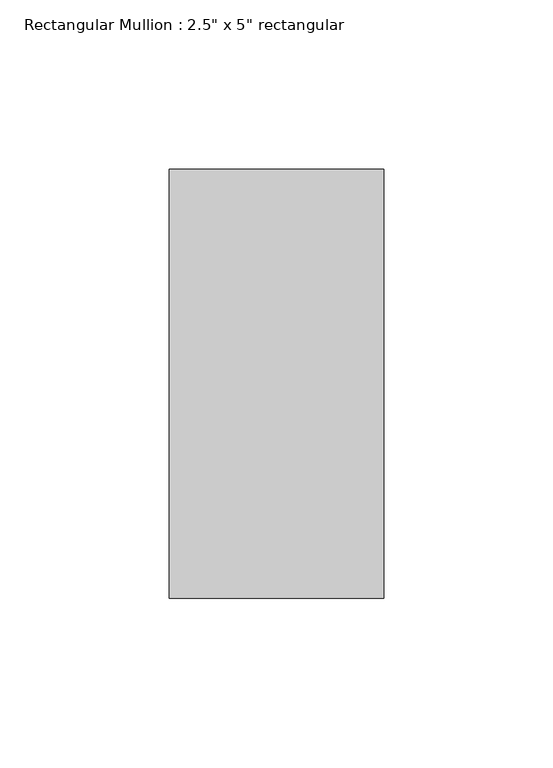
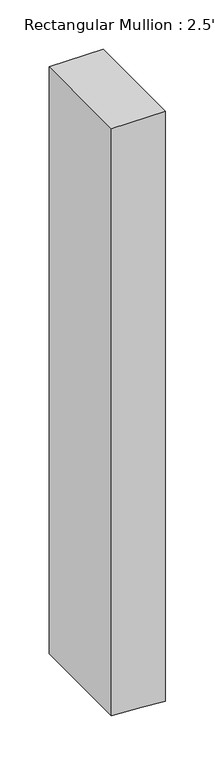
"""IFC4 building model written with IfcOpenShell, lengths in millimetres: member geometry."""

from ifc_helpers import new_model, si_unit, frame, origin, place, context, project, spatial, polyline, outline, extrude, source, transform, mapped, element, save


def member_5d9b9d6f(model_context):
    return source(origin(), model_context, "Body", "SweptSolid", [
        extrude(outline(polyline([(0.0, 31.75), (0.0, -31.75), (-729.3656709, -31.75), (-731.7393785, 4.1865954), (-733.560614, 31.75), (0.0, 31.75)])), frame((0.0, -63.5, 0.0), z_axis=(0.0, 1.0, 0.0), x_axis=(0.0, 0.0, 1.0)), (0.0, 0.0, 1.0), 127.0),
    ])


if __name__ == "__main__":
    model = new_model("IFC4")
    model_context = context("Model", 3, world=origin())
    ifc_project = project(units=[si_unit("LENGTHUNIT", "METRE", prefix="MILLI")], contexts=[model_context])
    site = spatial("IfcSite", under=ifc_project)
    building = spatial("IfcBuilding", under=site)
    placement = place(None, origin())
    member_shape = member_5d9b9d6f(model_context)
    element("IfcMember", 1, ObjectType="Rectangular Mullion : 2.5\" x 5\" rectangular", at=placement, inside=building, context=model_context, shape_type="MappedRepresentation", body=[
        mapped(member_shape, transform((0.0, 0.0, 0.0), x_axis=(1.0, 0.0, 0.0), y_axis=(0.0, 1.0, 0.0), z_axis=(0.0, 0.0, 1.0))),
    ])
    save(model, "model.ifc")
